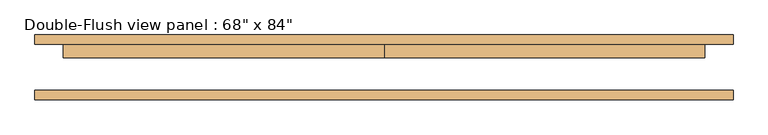
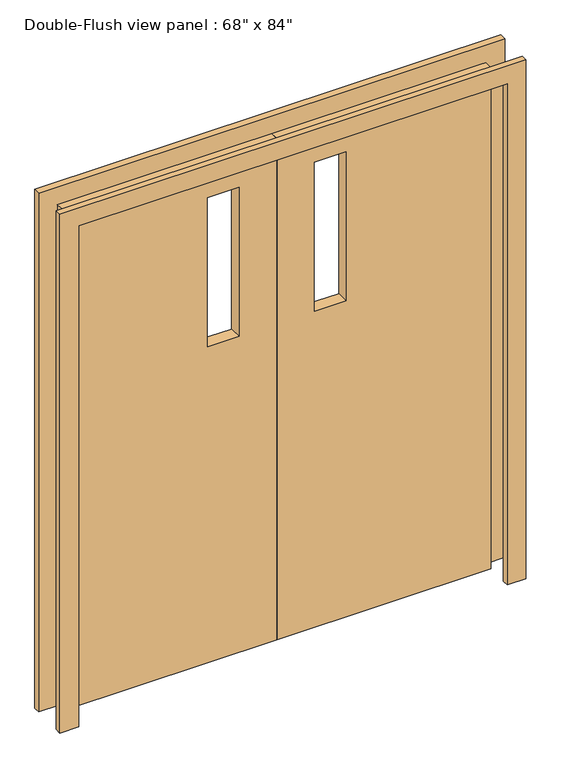
"""IFC4 building model written with IfcOpenShell, lengths in millimetres: door geometry."""

import ifcopenshell
import ifcopenshell.guid

model = None  # the IFC model being written
_history = None  # IfcOwnerHistory: only IFC2X3 demands one
_inside = {}  # id of a spatial element -> (the spatial element, [elements in it])
_under = {}  # id of a project, library or spatial element -> (it, [spatial elements below it])
_declared = {}  # id of a project -> (the project, [libraries it declares])
_typed = {}  # id of a type object -> (the type object, [elements of that type])
_made_of = {}  # id of a material, layer set ... -> (it, [elements and type objects made of it])


def new_model(schema):
    """Start an empty IFC model of exactly this schema.

    Asked for "IFC4X3", IfcOpenShell would pick the latest addendum, in which some entities
    have other attributes; the version numbers below select the first issue.
    IFC2X3 requires an IfcOwnerHistory on every rooted entity: one is made here for all.
    """
    global model, _history
    if schema == "IFC4X3":
        model = ifcopenshell.file(schema_version=(4, 3, 0, 0))
    else:
        model = ifcopenshell.file(schema=schema)
    _inside.clear()
    _under.clear()
    _declared.clear()
    _typed.clear()
    _made_of.clear()
    _history = None
    if model.schema == "IFC2X3":
        org = make("IfcOrganization", Name="unknown")
        user = make(
            "IfcPersonAndOrganization",
            ThePerson=make("IfcPerson", FamilyName="unknown"),
            TheOrganization=org,
        )
        app = make(
            "IfcApplication",
            ApplicationDeveloper=org,
            Version="unknown",
            ApplicationFullName="unknown",
            ApplicationIdentifier="unknown",
        )
        _history = make(
            "IfcOwnerHistory",
            OwningUser=user,
            OwningApplication=app,
            ChangeAction="ADDED",
            CreationDate=0,
        )
    return model


def make(cls, **values):
    """One entity of the class cls with the attributes given. An attribute that is None is left unset."""
    return model.create_entity(
        cls, **{name: value for name, value in values.items() if value is not None}
    )


def rooted(cls, **values):
    """An entity with a GlobalId (a new one), such as an element, a storey or a relation."""
    return make(cls, GlobalId=ifcopenshell.guid.new(), OwnerHistory=_history, **values)


def si_unit(unit_type, name, prefix=None):
    """IfcSIUnit, for example si_unit("LENGTHUNIT", "METRE", prefix="MILLI")."""
    return make("IfcSIUnit", UnitType=unit_type, Prefix=prefix, Name=name)


def assignment(units):
    """IfcUnitAssignment: the units of a project."""
    return None if units is None else make("IfcUnitAssignment", Units=units)


def point(xyz):
    """IfcCartesianPoint."""
    return None if xyz is None else make("IfcCartesianPoint", Coordinates=xyz)


def direction(xyz):
    """IfcDirection."""
    return None if xyz is None else make("IfcDirection", DirectionRatios=xyz)


def frame(location, z_axis=None, x_axis=None):
    """IfcAxis2Placement3D, a coordinate frame: its origin and axes. An axis left out is left unset."""
    return make(
        "IfcAxis2Placement3D",
        Location=point(location),
        Axis=direction(z_axis),
        RefDirection=direction(x_axis),
    )


def origin():
    """The frame at (0, 0, 0) with its axes left unset."""
    return frame((0.0, 0.0, 0.0))


def place(relative_to, where):
    """IfcLocalPlacement: puts the frame where relative to a parent placement (None: the world)."""
    return make(
        "IfcLocalPlacement", PlacementRelTo=relative_to, RelativePlacement=where
    )


def context(
    kind, dimensions, precision=None, world=None, true_north=None, identifier=None
):
    """IfcGeometricRepresentationContext, for example the 3D "Model" context."""
    return make(
        "IfcGeometricRepresentationContext",
        ContextIdentifier=identifier,
        ContextType=kind,
        CoordinateSpaceDimension=dimensions,
        Precision=precision,
        WorldCoordinateSystem=world,
        TrueNorth=true_north,
    )


def project(units=None, contexts=None):
    """IfcProject with its units and contexts."""
    return rooted(
        "IfcProject",
        Name="project",
        RepresentationContexts=contexts,
        UnitsInContext=assignment(units),
    )


def spatial(cls, under=None, at=None, **own):
    """A site, building, storey or space (cls), placed at a placement, below another one or the project."""
    s = rooted(cls, ObjectPlacement=at, **own)
    if under is not None:
        _under.setdefault(under.id(), (under, []))[1].append(s)
    return s


def polyline(points):
    """IfcPolyline through the points."""
    return make("IfcPolyline", Points=[point(p) for p in points])


def outline(outer, holes=None, kind="AREA"):
    """IfcArbitraryClosedProfileDef: a profile drawn as a closed curve; with holes, ...WithVoids."""
    if holes is None:
        return make("IfcArbitraryClosedProfileDef", ProfileType=kind, OuterCurve=outer)
    return make(
        "IfcArbitraryProfileDefWithVoids",
        ProfileType=kind,
        OuterCurve=outer,
        InnerCurves=holes,
    )


def extrude(swept, where, along, depth):
    """IfcExtrudedAreaSolid: the profile swept, set in the frame where, extruded along a direction by depth."""
    return make(
        "IfcExtrudedAreaSolid",
        SweptArea=swept,
        Position=where,
        ExtrudedDirection=direction(along),
        Depth=depth,
    )


def shape(context_of_items, identifier, shape_type, items):
    """IfcShapeRepresentation: the items that make up one representation, for example the "Body"."""
    return make(
        "IfcShapeRepresentation",
        ContextOfItems=context_of_items,
        RepresentationIdentifier=identifier,
        RepresentationType=shape_type,
        Items=items,
    )


def source(mapping_origin, context_of_items, identifier, shape_type, items):
    """IfcRepresentationMap: a shape defined once, which mapped items show again and again."""
    return make(
        "IfcRepresentationMap",
        MappingOrigin=mapping_origin,
        MappedRepresentation=shape(context_of_items, identifier, shape_type, items),
    )


def transform(
    local_origin,
    x_axis=None,
    y_axis=None,
    z_axis=None,
    scale=None,
    scale2=None,
    scale3=None,
    uniform=True,
):
    """IfcCartesianTransformationOperator3D, or its non-uniform kind. x_axis, y_axis, z_axis: its Axis1, 2, 3."""
    if uniform:
        return make(
            "IfcCartesianTransformationOperator3D",
            Axis1=direction(x_axis),
            Axis2=direction(y_axis),
            LocalOrigin=point(local_origin),
            Scale=scale,
            Axis3=direction(z_axis),
        )
    return make(
        "IfcCartesianTransformationOperator3DnonUniform",
        Axis1=direction(x_axis),
        Axis2=direction(y_axis),
        LocalOrigin=point(local_origin),
        Scale=scale,
        Axis3=direction(z_axis),
        Scale2=scale2,
        Scale3=scale3,
    )


def mapped(mapping_source, mapping_target):
    """IfcMappedItem: shows the shape of a source again, moved by a transform."""
    return make(
        "IfcMappedItem", MappingSource=mapping_source, MappingTarget=mapping_target
    )


def made_of(thing, what):
    """Note that an element or type object is made of a material, layer set ...; save() writes the relation."""
    if what is not None:
        _made_of.setdefault(what.id(), (what, []))[1].append(thing)
    return thing


def element(
    cls,
    number,
    at=None,
    inside=None,
    cuts=None,
    type_object=None,
    material=None,
    context=None,
    identifier="Body",
    shape_type=None,
    held_by="IfcProductDefinitionShape",
    body=None,
    shapes=None,
    **own,
):
    """One element of the class cls, such as IfcWall. Its Tag is "e" and its number.

    at: its placement. inside: the storey or other place that contains it. cuts: it is an
    opening in that element (IfcRelVoidsElement). A single representation is given by context,
    identifier, shape_type and body (its items); several are given by shapes. held_by: the class
    of the entity that holds the representations. save() writes the other relations.
    """
    e = rooted(cls, Tag="e%d" % number, ObjectPlacement=at, **own)
    if body is not None:
        shapes = [shape(context, identifier, shape_type, body)]
    if shapes is not None:
        e.Representation = make(held_by, Representations=shapes)
    if inside is not None:
        _inside.setdefault(inside.id(), (inside, []))[1].append(e)
    if cuts is not None:
        rooted(
            "IfcRelVoidsElement", RelatingBuildingElement=cuts, RelatedOpeningElement=e
        )
    if type_object is not None:
        _typed.setdefault(type_object.id(), (type_object, []))[1].append(e)
    return made_of(e, material)


def aggregate(whole, parts):
    """IfcRelAggregates: a whole, such as a stair, and the parts it consists of."""
    return rooted("IfcRelAggregates", RelatingObject=whole, RelatedObjects=parts)


def save(model, path):
    """Write the relations noted so far, then the file.

    IfcRelAggregates (storeys below a building ...), IfcRelContainedInSpatialStructure (elements
    in a storey), IfcRelDefinesByType, IfcRelAssociatesMaterial and IfcRelDeclares: one each for
    every whole, place, type object, material and project.
    """
    for whole, parts in _under.values():
        aggregate(whole, parts)
    for where, things in _inside.values():
        rooted(
            "IfcRelContainedInSpatialStructure",
            RelatedElements=things,
            RelatingStructure=where,
        )
    for kind, things in _typed.values():
        rooted("IfcRelDefinesByType", RelatedObjects=things, RelatingType=kind)
    for what, things in _made_of.values():
        rooted("IfcRelAssociatesMaterial", RelatedObjects=things, RelatingMaterial=what)
    for by, libraries in _declared.values():
        rooted("IfcRelDeclares", RelatingContext=by, RelatedDefinitions=libraries)
    model.write(path)


def door_2a0b9b31(model_context):
    return source(origin(), model_context, "Body", "SweptSolid", [
        extrude(outline(polyline([(2133.6, 0.0), (2133.6, -863.6), (0.0, -863.6), (0.0, 0.0), (2133.6, 0.0)]), holes=[polyline([(1981.2, -279.4), (1981.2, -152.4), (1346.2, -152.4), (1346.2, -279.4), (1981.2, -279.4)])]), frame((0.0, 25.4, 0.0), z_axis=(0.0, 1.0, 0.0), x_axis=(0.0, 0.0, 1.0)), (0.0, 0.0, 1.0), 50.8),
        extrude(outline(polyline([(2133.6, 0.0), (0.0, 0.0), (0.0, 863.6), (2133.6, 863.6), (2133.6, 0.0)]), holes=[polyline([(1981.2, 279.4), (1346.2, 279.4), (1346.2, 152.4), (1981.2, 152.4), (1981.2, 279.4)])]), frame((0.0, 25.4, 0.0), z_axis=(0.0, 1.0, 0.0), x_axis=(0.0, 0.0, 1.0)), (0.0, 0.0, 1.0), 50.8),
        extrude(outline(polyline([(2133.6, -863.6), (2133.6, 863.6), (0.0, 863.6), (0.0, 939.8), (2209.8, 939.8), (2209.8, -939.8), (0.0, -939.8), (0.0, -863.6), (2133.6, -863.6)])), frame((0.0, -87.3125, 0.0), z_axis=(0.0, 1.0, 0.0), x_axis=(0.0, 0.0, 1.0)), (0.0, 0.0, 1.0), 25.4),
        extrude(outline(polyline([(2133.6, -863.6), (2133.6, 863.6), (0.0, 863.6), (0.0, 939.8), (2209.8, 939.8), (2209.8, -939.8), (0.0, -939.8), (0.0, -863.6), (2133.6, -863.6)])), frame((0.0, 61.9125, 0.0), z_axis=(0.0, 1.0, 0.0), x_axis=(0.0, 0.0, 1.0)), (0.0, 0.0, 1.0), 25.4),
    ])


if __name__ == "__main__":
    model = new_model("IFC4")
    model_context = context("Model", 3, world=origin())
    ifc_project = project(units=[si_unit("LENGTHUNIT", "METRE", prefix="MILLI")], contexts=[model_context])
    site = spatial("IfcSite", under=ifc_project)
    building = spatial("IfcBuilding", under=site)
    placement = place(None, origin())
    door_shape = door_2a0b9b31(model_context)
    element("IfcDoor", 1, ObjectType="Double-Flush view panel : 68\" x 84\"", at=placement, inside=building, context=model_context, shape_type="MappedRepresentation", body=[
        mapped(door_shape, transform((0.0, 0.0, 0.0), x_axis=(1.0, 0.0, 0.0), y_axis=(0.0, 1.0, 0.0), z_axis=(0.0, 0.0, 1.0))),
    ])
    save(model, "model.ifc")
